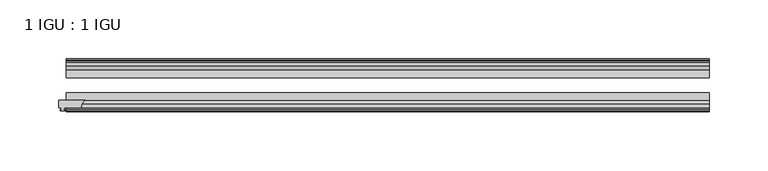
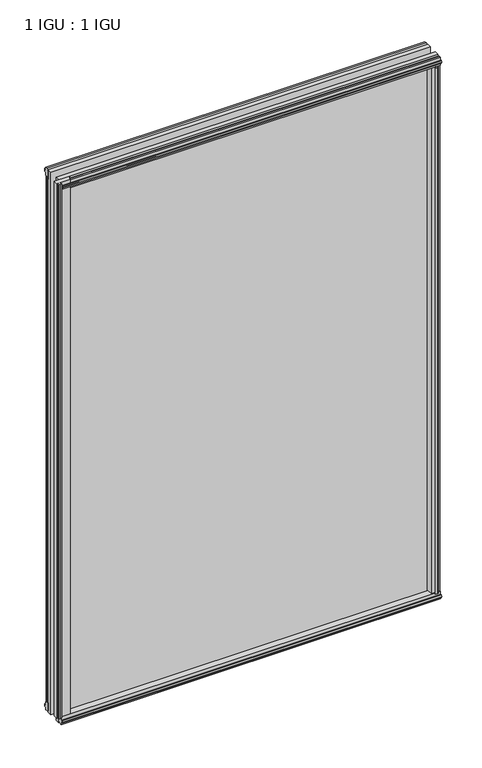
"""IFC4 building model written with IfcOpenShell, lengths in millimetres: plate geometry, 1 IGU : 1 IGU."""

from ifc_helpers import new_model, si_unit, point, frame, frame_2d, origin, origin_with_axes, place, context, project, spatial, polyline, circle_curve, trimmed, segment, composite_curve, outline, extrude, source, transform, mapped, element, save


def plate_1_igu_1_igu_dd393756(model_context):
    return source(origin(), model_context, "Body", "SweptSolid", [
        extrude(outline(composite_curve([segment(trimmed(circle_curve(frame_2d((-252.918249, -51.2493858)), 7.4386445), [point((-256.8681783, -44.9460937))], [point((-260.3567469, -51.2960937))], True, "CARTESIAN"), True, "CONTINUOUS"), segment(polyline([(-260.3567469, -51.2960937), (-274.9617469, -51.2960937), (-275.2792469, -53.4006957), (-274.073341, -53.0775742), (-274.073341, -53.8927506), (-276.2317469, -54.4710937), (-278.3901528, -53.8927506), (-278.3901528, -53.0775742), (-277.1842469, -53.4006957), (-277.5017469, -51.2960937), (-279.4067469, -51.2960937), (-279.4067469, -44.9460937), (-256.8681783, -44.9460937)]), True, "CONTINUOUS")], self_intersect=False)), origin_with_axes(), (0.0, 0.0, 1.0), 812.7872998),
        extrude(outline(polyline([(258.7709606, -19.5460937), (260.8762377, -13.1960937), (266.0834321, -13.1960937), (266.4644321, -10.8158968), (265.048903, -11.27583), (265.048903, -10.4746158), (267.2264321, -9.7670937), (269.4039611, -10.4746158), (269.4039611, -11.27583), (267.9884321, -10.8158968), (268.3694321, -13.1960937), (272.8144321, -13.1960937), (272.8144321, -16.1419073), (270.6013546, -19.5460937), (258.7709606, -19.5460937)])), origin_with_axes(), (0.0, 0.0, 1.0), 800.1),
        extrude(outline(polyline([(-258.7709606, -19.5460937), (-270.6013546, -19.5460937), (-272.8144321, -16.1419073), (-272.8144321, -13.1960937), (-268.3694321, -13.1960937), (-267.9884321, -10.8158968), (-269.4039611, -11.27583), (-269.4039611, -10.4746158), (-267.2264321, -9.7670937), (-265.048903, -10.4746158), (-265.048903, -11.27583), (-266.4644321, -10.8158968), (-266.0834321, -13.1960937), (-260.8762377, -13.1960937), (-258.7709606, -19.5460937)])), origin_with_axes(), (0.0, 0.0, 1.0), 800.1),
        extrude(outline(polyline([(-16.1419073, -12.4576852), (-19.5460937, -10.2446077), (-19.5460937, 1.5857863), (-13.1960937, -0.5194908), (-13.1960937, -5.7266852), (-10.8158968, -6.1076852), (-11.27583, -4.6921562), (-10.4746158, -4.6921562), (-9.7670937, -6.8696852), (-10.4746158, -9.0472143), (-11.27583, -9.0472143), (-10.8158968, -7.6316852), (-13.1960937, -8.0126852), (-13.1960937, -12.4576852), (-16.1419073, -12.4576852)])), frame((-273.0567469, 0.0, 0.0), z_axis=(1.0, 0.0, 0.0), x_axis=(0.0, 1.0, 0.0)), (0.0, 0.0, 1.0), 546.1134937),
        extrude(outline(polyline([(-48.3502802, -11.938), (-51.2960937, -11.938), (-51.2960937, -7.493), (-53.6762907, -7.112), (-53.2163575, -8.5275291), (-54.0175717, -8.5275291), (-54.7250937, -6.35), (-54.0175717, -4.172471), (-53.2163575, -4.172471), (-53.6762907, -5.588), (-51.2960937, -5.207), (-51.2960937, 0.0001944), (-44.9460937, 2.1054715), (-44.9460937, -9.7249225), (-48.3502802, -11.938)])), frame((-273.0567469, 0.0, 0.0), z_axis=(1.0, 0.0, 0.0), x_axis=(0.0, 1.0, 0.0)), (0.0, 0.0, 1.0), 546.1134937),
        extrude(outline(polyline([(-16.1028367, 812.5576852), (-13.1960937, 812.5576852), (-13.1960937, 808.1126852), (-10.8158968, 807.7316852), (-11.27583, 809.1472143), (-10.4746158, 809.1472143), (-9.7670937, 806.9696852), (-10.4746158, 804.7921562), (-11.27583, 804.7921562), (-10.8158968, 806.2076852), (-13.1960937, 805.8266852), (-13.1960937, 800.5940908), (-19.5460937, 798.4888137), (-19.5460937, 810.3192077), (-16.1028367, 812.5576852)])), frame((-273.0567469, 0.0, 0.0), z_axis=(1.0, 0.0, 0.0), x_axis=(0.0, 1.0, 0.0)), (0.0, 0.0, 1.0), 546.1134937),
        extrude(outline(polyline([(-48.3893508, 812.0126), (-44.9460937, 809.7741225), (-44.9460937, 797.9437285), (-51.2960937, 800.0490056), (-51.2960937, 805.2816), (-53.6762907, 805.6626), (-53.2163575, 804.247071), (-54.0175717, 804.247071), (-54.7250938, 806.4246), (-54.0175717, 808.6021291), (-53.2163575, 808.6021291), (-53.6762907, 807.1866), (-51.2960937, 807.5676), (-51.2960937, 812.0126), (-48.3893508, 812.0126)])), frame((-273.0567469, 0.0, 0.0), z_axis=(1.0, 0.0, 0.0), x_axis=(0.0, 1.0, 0.0)), (0.0, 0.0, 1.0), 546.1134937),
        extrude(outline(polyline([(258.2512754, -44.9460938), (270.0816694, -44.9460938), (272.2947469, -48.3502802), (272.2947469, -51.2960938), (267.8497469, -51.2960938), (267.4687469, -53.6762907), (268.8842759, -53.2163575), (268.8842759, -54.0175717), (266.7067469, -54.7250938), (264.5292178, -54.0175717), (264.5292178, -53.2163575), (265.9447469, -53.6762907), (265.5637469, -51.2960938), (260.3565525, -51.2960938), (258.2512754, -44.9460938)])), origin_with_axes(), (0.0, 0.0, 1.0), 800.1),
        extrude(outline(polyline([(273.0567469, -19.5460937), (273.0567469, -25.8337453), (-273.0567469, -25.8337453), (-273.0567469, -19.5460937), (273.0567469, -19.5460937)])), frame((0.0, 0.0, -12.7), z_axis=(0.0, 0.0, 1.0), x_axis=(1.0, 0.0, 0.0)), (0.0, 0.0, 1.0), 825.4872998),
        extrude(outline(polyline([(-273.0567469, -44.9460937), (-273.0567469, -38.6468938), (273.0567469, -38.6468938), (273.0567469, -44.9460937), (-273.0567469, -44.9460937)])), frame((0.0, 0.0, -12.7), z_axis=(0.0, 0.0, 1.0), x_axis=(1.0, 0.0, 0.0)), (0.0, 0.0, 1.0), 825.4872998),
    ])


if __name__ == "__main__":
    model = new_model("IFC4")
    model_context = context("Model", 3, world=origin())
    ifc_project = project(units=[si_unit("LENGTHUNIT", "METRE", prefix="MILLI")], contexts=[model_context])
    site = spatial("IfcSite", under=ifc_project)
    building = spatial("IfcBuilding", under=site)
    placement = place(None, origin())
    plate_1_igu_1_igu_shape = plate_1_igu_1_igu_dd393756(model_context)
    element("IfcPlate", 1, ObjectType="1 IGU : 1 IGU", at=placement, inside=building, context=model_context, shape_type="MappedRepresentation", body=[
        mapped(plate_1_igu_1_igu_shape, transform((0.0, 0.0, 0.0), x_axis=(1.0, 0.0, 0.0), y_axis=(0.0, 1.0, 0.0), z_axis=(0.0, 0.0, 1.0))),
    ])
    save(model, "model.ifc")
